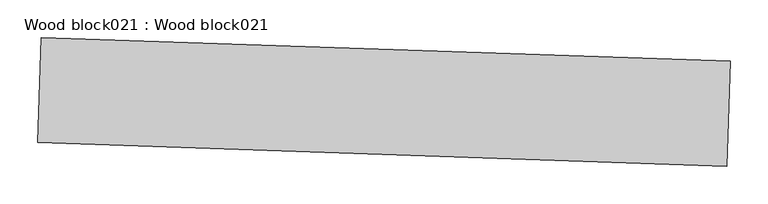
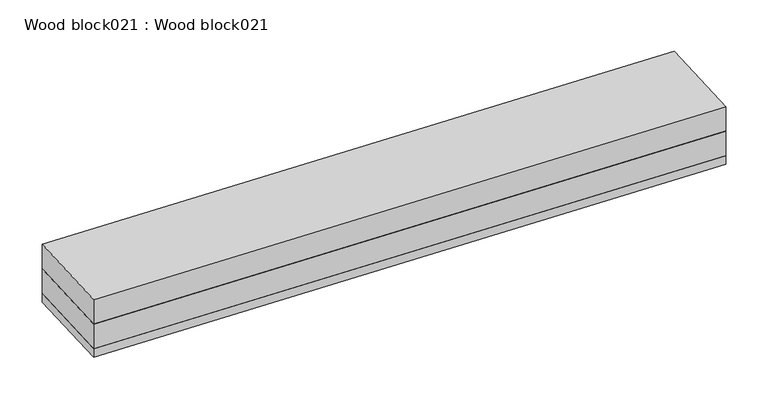
"""IFC4 building model written with IfcOpenShell, lengths in millimetres: proxy geometry, Wood block021 : Wood block021."""

import ifcopenshell
import ifcopenshell.guid

model = None  # the IFC model being written
_history = None  # IfcOwnerHistory: only IFC2X3 demands one
_inside = {}  # id of a spatial element -> (the spatial element, [elements in it])
_under = {}  # id of a project, library or spatial element -> (it, [spatial elements below it])
_declared = {}  # id of a project -> (the project, [libraries it declares])
_typed = {}  # id of a type object -> (the type object, [elements of that type])
_made_of = {}  # id of a material, layer set ... -> (it, [elements and type objects made of it])


def new_model(schema):
    """Start an empty IFC model of exactly this schema.

    Asked for "IFC4X3", IfcOpenShell would pick the latest addendum, in which some entities
    have other attributes; the version numbers below select the first issue.
    IFC2X3 requires an IfcOwnerHistory on every rooted entity: one is made here for all.
    """
    global model, _history
    if schema == "IFC4X3":
        model = ifcopenshell.file(schema_version=(4, 3, 0, 0))
    else:
        model = ifcopenshell.file(schema=schema)
    _inside.clear()
    _under.clear()
    _declared.clear()
    _typed.clear()
    _made_of.clear()
    _history = None
    if model.schema == "IFC2X3":
        org = make("IfcOrganization", Name="unknown")
        user = make(
            "IfcPersonAndOrganization",
            ThePerson=make("IfcPerson", FamilyName="unknown"),
            TheOrganization=org,
        )
        app = make(
            "IfcApplication",
            ApplicationDeveloper=org,
            Version="unknown",
            ApplicationFullName="unknown",
            ApplicationIdentifier="unknown",
        )
        _history = make(
            "IfcOwnerHistory",
            OwningUser=user,
            OwningApplication=app,
            ChangeAction="ADDED",
            CreationDate=0,
        )
    return model


def make(cls, **values):
    """One entity of the class cls with the attributes given. An attribute that is None is left unset."""
    return model.create_entity(
        cls, **{name: value for name, value in values.items() if value is not None}
    )


def rooted(cls, **values):
    """An entity with a GlobalId (a new one), such as an element, a storey or a relation."""
    return make(cls, GlobalId=ifcopenshell.guid.new(), OwnerHistory=_history, **values)


def si_unit(unit_type, name, prefix=None):
    """IfcSIUnit, for example si_unit("LENGTHUNIT", "METRE", prefix="MILLI")."""
    return make("IfcSIUnit", UnitType=unit_type, Prefix=prefix, Name=name)


def assignment(units):
    """IfcUnitAssignment: the units of a project."""
    return None if units is None else make("IfcUnitAssignment", Units=units)


def point(xyz):
    """IfcCartesianPoint."""
    return None if xyz is None else make("IfcCartesianPoint", Coordinates=xyz)


def direction(xyz):
    """IfcDirection."""
    return None if xyz is None else make("IfcDirection", DirectionRatios=xyz)


def frame(location, z_axis=None, x_axis=None):
    """IfcAxis2Placement3D, a coordinate frame: its origin and axes. An axis left out is left unset."""
    return make(
        "IfcAxis2Placement3D",
        Location=point(location),
        Axis=direction(z_axis),
        RefDirection=direction(x_axis),
    )


def origin():
    """The frame at (0, 0, 0) with its axes left unset."""
    return frame((0.0, 0.0, 0.0))


def place(relative_to, where):
    """IfcLocalPlacement: puts the frame where relative to a parent placement (None: the world)."""
    return make(
        "IfcLocalPlacement", PlacementRelTo=relative_to, RelativePlacement=where
    )


def context(
    kind, dimensions, precision=None, world=None, true_north=None, identifier=None
):
    """IfcGeometricRepresentationContext, for example the 3D "Model" context."""
    return make(
        "IfcGeometricRepresentationContext",
        ContextIdentifier=identifier,
        ContextType=kind,
        CoordinateSpaceDimension=dimensions,
        Precision=precision,
        WorldCoordinateSystem=world,
        TrueNorth=true_north,
    )


def project(units=None, contexts=None):
    """IfcProject with its units and contexts."""
    return rooted(
        "IfcProject",
        Name="project",
        RepresentationContexts=contexts,
        UnitsInContext=assignment(units),
    )


def spatial(cls, under=None, at=None, **own):
    """A site, building, storey or space (cls), placed at a placement, below another one or the project."""
    s = rooted(cls, ObjectPlacement=at, **own)
    if under is not None:
        _under.setdefault(under.id(), (under, []))[1].append(s)
    return s


def polyline(points):
    """IfcPolyline through the points."""
    return make("IfcPolyline", Points=[point(p) for p in points])


def outline(outer, holes=None, kind="AREA"):
    """IfcArbitraryClosedProfileDef: a profile drawn as a closed curve; with holes, ...WithVoids."""
    if holes is None:
        return make("IfcArbitraryClosedProfileDef", ProfileType=kind, OuterCurve=outer)
    return make(
        "IfcArbitraryProfileDefWithVoids",
        ProfileType=kind,
        OuterCurve=outer,
        InnerCurves=holes,
    )


def extrude(swept, where, along, depth):
    """IfcExtrudedAreaSolid: the profile swept, set in the frame where, extruded along a direction by depth."""
    return make(
        "IfcExtrudedAreaSolid",
        SweptArea=swept,
        Position=where,
        ExtrudedDirection=direction(along),
        Depth=depth,
    )


def shape(context_of_items, identifier, shape_type, items):
    """IfcShapeRepresentation: the items that make up one representation, for example the "Body"."""
    return make(
        "IfcShapeRepresentation",
        ContextOfItems=context_of_items,
        RepresentationIdentifier=identifier,
        RepresentationType=shape_type,
        Items=items,
    )


def source(mapping_origin, context_of_items, identifier, shape_type, items):
    """IfcRepresentationMap: a shape defined once, which mapped items show again and again."""
    return make(
        "IfcRepresentationMap",
        MappingOrigin=mapping_origin,
        MappedRepresentation=shape(context_of_items, identifier, shape_type, items),
    )


def transform(
    local_origin,
    x_axis=None,
    y_axis=None,
    z_axis=None,
    scale=None,
    scale2=None,
    scale3=None,
    uniform=True,
):
    """IfcCartesianTransformationOperator3D, or its non-uniform kind. x_axis, y_axis, z_axis: its Axis1, 2, 3."""
    if uniform:
        return make(
            "IfcCartesianTransformationOperator3D",
            Axis1=direction(x_axis),
            Axis2=direction(y_axis),
            LocalOrigin=point(local_origin),
            Scale=scale,
            Axis3=direction(z_axis),
        )
    return make(
        "IfcCartesianTransformationOperator3DnonUniform",
        Axis1=direction(x_axis),
        Axis2=direction(y_axis),
        LocalOrigin=point(local_origin),
        Scale=scale,
        Axis3=direction(z_axis),
        Scale2=scale2,
        Scale3=scale3,
    )


def mapped(mapping_source, mapping_target):
    """IfcMappedItem: shows the shape of a source again, moved by a transform."""
    return make(
        "IfcMappedItem", MappingSource=mapping_source, MappingTarget=mapping_target
    )


def made_of(thing, what):
    """Note that an element or type object is made of a material, layer set ...; save() writes the relation."""
    if what is not None:
        _made_of.setdefault(what.id(), (what, []))[1].append(thing)
    return thing


def element(
    cls,
    number,
    at=None,
    inside=None,
    cuts=None,
    type_object=None,
    material=None,
    context=None,
    identifier="Body",
    shape_type=None,
    held_by="IfcProductDefinitionShape",
    body=None,
    shapes=None,
    **own,
):
    """One element of the class cls, such as IfcWall. Its Tag is "e" and its number.

    at: its placement. inside: the storey or other place that contains it. cuts: it is an
    opening in that element (IfcRelVoidsElement). A single representation is given by context,
    identifier, shape_type and body (its items); several are given by shapes. held_by: the class
    of the entity that holds the representations. save() writes the other relations.
    """
    e = rooted(cls, Tag="e%d" % number, ObjectPlacement=at, **own)
    if body is not None:
        shapes = [shape(context, identifier, shape_type, body)]
    if shapes is not None:
        e.Representation = make(held_by, Representations=shapes)
    if inside is not None:
        _inside.setdefault(inside.id(), (inside, []))[1].append(e)
    if cuts is not None:
        rooted(
            "IfcRelVoidsElement", RelatingBuildingElement=cuts, RelatedOpeningElement=e
        )
    if type_object is not None:
        _typed.setdefault(type_object.id(), (type_object, []))[1].append(e)
    return made_of(e, material)


def aggregate(whole, parts):
    """IfcRelAggregates: a whole, such as a stair, and the parts it consists of."""
    return rooted("IfcRelAggregates", RelatingObject=whole, RelatedObjects=parts)


def save(model, path):
    """Write the relations noted so far, then the file.

    IfcRelAggregates (storeys below a building ...), IfcRelContainedInSpatialStructure (elements
    in a storey), IfcRelDefinesByType, IfcRelAssociatesMaterial and IfcRelDeclares: one each for
    every whole, place, type object, material and project.
    """
    for whole, parts in _under.values():
        aggregate(whole, parts)
    for where, things in _inside.values():
        rooted(
            "IfcRelContainedInSpatialStructure",
            RelatedElements=things,
            RelatingStructure=where,
        )
    for kind, things in _typed.values():
        rooted("IfcRelDefinesByType", RelatedObjects=things, RelatingType=kind)
    for what, things in _made_of.values():
        rooted("IfcRelAssociatesMaterial", RelatedObjects=things, RelatingMaterial=what)
    for by, libraries in _declared.values():
        rooted("IfcRelDeclares", RelatingContext=by, RelatedDefinitions=libraries)
    model.write(path)


def wood_block021_wood_block021_4e42b002(model_context):
    return source(origin(), model_context, "Body", "SweptSolid", [
        extrude(outline(polyline([(34354.3819804, -15476.1269837), (34349.603991, -15615.7452519), (33435.7389628, -15584.4711397), (33440.5169521, -15444.8528715), (34354.3819804, -15476.1269837)])), frame((0.0, 0.0, 2756.2674361), z_axis=(0.0, 0.0, 1.0), x_axis=(1.0, 0.0, 0.0)), (0.0, 0.0, 1.0), 38.1),
        extrude(outline(polyline([(34354.3819804, -15476.1269837), (34349.603991, -15615.7452519), (33435.7389628, -15584.4711397), (33440.5169521, -15444.8528715), (34354.3819804, -15476.1269837)])), frame((0.0, 0.0, 2794.3674361), z_axis=(0.0, 0.0, 1.0), x_axis=(1.0, 0.0, 0.0)), (0.0, 0.0, 1.0), 38.1),
        extrude(outline(polyline([(34354.3819804, -15476.1269837), (34349.603991, -15615.7452519), (33435.7389628, -15584.4711397), (33440.5169521, -15444.8528715), (34354.3819804, -15476.1269837)])), frame((0.0, 0.0, 2742.40625), z_axis=(0.0, 0.0, 1.0), x_axis=(1.0, 0.0, 0.0)), (0.0, 0.0, 1.0), 13.8611861),
    ])


if __name__ == "__main__":
    model = new_model("IFC4")
    model_context = context("Model", 3, world=origin())
    ifc_project = project(units=[si_unit("LENGTHUNIT", "METRE", prefix="MILLI")], contexts=[model_context])
    site = spatial("IfcSite", under=ifc_project)
    building = spatial("IfcBuilding", under=site)
    placement = place(None, origin())
    wood_block021_wood_block021_shape = wood_block021_wood_block021_4e42b002(model_context)
    element("IfcBuildingElementProxy", 1, Name="Wood block021 : Wood block021", ObjectType="Wood block021 : Wood block021", at=placement, inside=building, context=model_context, shape_type="MappedRepresentation", body=[
        mapped(wood_block021_wood_block021_shape, transform((0.0, 0.0, 0.0), x_axis=(1.0, 0.0, 0.0), y_axis=(0.0, 1.0, 0.0), z_axis=(0.0, 0.0, 1.0))),
    ])
    save(model, "model.ifc")
